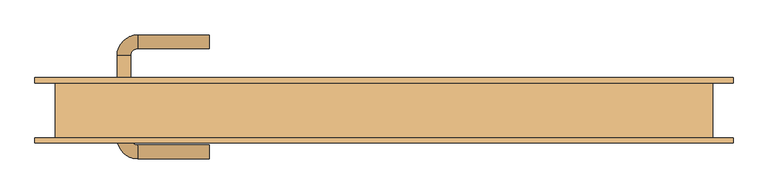
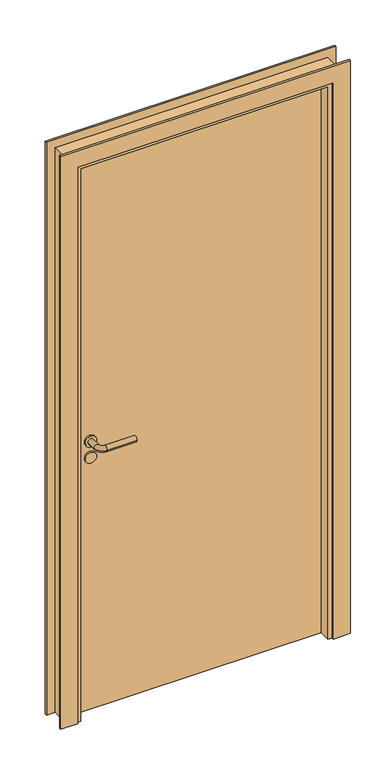
"""IFC4 building model written with IfcOpenShell, lengths in millimetres: door geometry."""

import ifcopenshell
import ifcopenshell.guid

model = None  # the IFC model being written
_history = None  # IfcOwnerHistory: only IFC2X3 demands one
_inside = {}  # id of a spatial element -> (the spatial element, [elements in it])
_under = {}  # id of a project, library or spatial element -> (it, [spatial elements below it])
_declared = {}  # id of a project -> (the project, [libraries it declares])
_typed = {}  # id of a type object -> (the type object, [elements of that type])
_made_of = {}  # id of a material, layer set ... -> (it, [elements and type objects made of it])


def new_model(schema):
    """Start an empty IFC model of exactly this schema.

    Asked for "IFC4X3", IfcOpenShell would pick the latest addendum, in which some entities
    have other attributes; the version numbers below select the first issue.
    IFC2X3 requires an IfcOwnerHistory on every rooted entity: one is made here for all.
    """
    global model, _history
    if schema == "IFC4X3":
        model = ifcopenshell.file(schema_version=(4, 3, 0, 0))
    else:
        model = ifcopenshell.file(schema=schema)
    _inside.clear()
    _under.clear()
    _declared.clear()
    _typed.clear()
    _made_of.clear()
    _history = None
    if model.schema == "IFC2X3":
        org = make("IfcOrganization", Name="unknown")
        user = make(
            "IfcPersonAndOrganization",
            ThePerson=make("IfcPerson", FamilyName="unknown"),
            TheOrganization=org,
        )
        app = make(
            "IfcApplication",
            ApplicationDeveloper=org,
            Version="unknown",
            ApplicationFullName="unknown",
            ApplicationIdentifier="unknown",
        )
        _history = make(
            "IfcOwnerHistory",
            OwningUser=user,
            OwningApplication=app,
            ChangeAction="ADDED",
            CreationDate=0,
        )
    return model


def make(cls, **values):
    """One entity of the class cls with the attributes given. An attribute that is None is left unset."""
    return model.create_entity(
        cls, **{name: value for name, value in values.items() if value is not None}
    )


def rooted(cls, **values):
    """An entity with a GlobalId (a new one), such as an element, a storey or a relation."""
    return make(cls, GlobalId=ifcopenshell.guid.new(), OwnerHistory=_history, **values)


def si_unit(unit_type, name, prefix=None):
    """IfcSIUnit, for example si_unit("LENGTHUNIT", "METRE", prefix="MILLI")."""
    return make("IfcSIUnit", UnitType=unit_type, Prefix=prefix, Name=name)


def assignment(units):
    """IfcUnitAssignment: the units of a project."""
    return None if units is None else make("IfcUnitAssignment", Units=units)


def point(xyz):
    """IfcCartesianPoint."""
    return None if xyz is None else make("IfcCartesianPoint", Coordinates=xyz)


def direction(xyz):
    """IfcDirection."""
    return None if xyz is None else make("IfcDirection", DirectionRatios=xyz)


def frame(location, z_axis=None, x_axis=None):
    """IfcAxis2Placement3D, a coordinate frame: its origin and axes. An axis left out is left unset."""
    return make(
        "IfcAxis2Placement3D",
        Location=point(location),
        Axis=direction(z_axis),
        RefDirection=direction(x_axis),
    )


def frame_2d(location, x_axis=None):
    """IfcAxis2Placement2D, a coordinate frame in the plane: its origin and x axis."""
    return make(
        "IfcAxis2Placement2D", Location=point(location), RefDirection=direction(x_axis)
    )


def origin():
    """The frame at (0, 0, 0) with its axes left unset."""
    return frame((0.0, 0.0, 0.0))


def origin_with_axes():
    """The frame at (0, 0, 0) with the z axis (0, 0, 1) and the x axis (1, 0, 0) written out."""
    return frame((0.0, 0.0, 0.0), z_axis=(0.0, 0.0, 1.0), x_axis=(1.0, 0.0, 0.0))


def place(relative_to, where):
    """IfcLocalPlacement: puts the frame where relative to a parent placement (None: the world)."""
    return make(
        "IfcLocalPlacement", PlacementRelTo=relative_to, RelativePlacement=where
    )


def context(
    kind, dimensions, precision=None, world=None, true_north=None, identifier=None
):
    """IfcGeometricRepresentationContext, for example the 3D "Model" context."""
    return make(
        "IfcGeometricRepresentationContext",
        ContextIdentifier=identifier,
        ContextType=kind,
        CoordinateSpaceDimension=dimensions,
        Precision=precision,
        WorldCoordinateSystem=world,
        TrueNorth=true_north,
    )


def project(units=None, contexts=None):
    """IfcProject with its units and contexts."""
    return rooted(
        "IfcProject",
        Name="project",
        RepresentationContexts=contexts,
        UnitsInContext=assignment(units),
    )


def spatial(cls, under=None, at=None, **own):
    """A site, building, storey or space (cls), placed at a placement, below another one or the project."""
    s = rooted(cls, ObjectPlacement=at, **own)
    if under is not None:
        _under.setdefault(under.id(), (under, []))[1].append(s)
    return s


def polyline(points):
    """IfcPolyline through the points."""
    return make("IfcPolyline", Points=[point(p) for p in points])


def circle_curve(where, radius):
    """IfcCircle in the frame where."""
    return make("IfcCircle", Position=where, Radius=radius)


def ellipse_curve(where, semi_axis1, semi_axis2):
    """IfcEllipse in the frame where."""
    return make(
        "IfcEllipse", Position=where, SemiAxis1=semi_axis1, SemiAxis2=semi_axis2
    )


def trimmed(basis, trim1, trim2, sense, master):
    """IfcTrimmedCurve: the piece of a basis curve between two trims."""
    return make(
        "IfcTrimmedCurve",
        BasisCurve=basis,
        Trim1=trim1,
        Trim2=trim2,
        SenseAgreement=sense,
        MasterRepresentation=master,
    )


def segment(curve, same_sense, transition):
    """IfcCompositeCurveSegment."""
    return make(
        "IfcCompositeCurveSegment",
        Transition=transition,
        SameSense=same_sense,
        ParentCurve=curve,
    )


def composite_curve(segments, self_intersect=None):
    """IfcCompositeCurve: segments joined end to end."""
    return make("IfcCompositeCurve", Segments=segments, SelfIntersect=self_intersect)


def outline(outer, holes=None, kind="AREA"):
    """IfcArbitraryClosedProfileDef: a profile drawn as a closed curve; with holes, ...WithVoids."""
    if holes is None:
        return make("IfcArbitraryClosedProfileDef", ProfileType=kind, OuterCurve=outer)
    return make(
        "IfcArbitraryProfileDefWithVoids",
        ProfileType=kind,
        OuterCurve=outer,
        InnerCurves=holes,
    )


def extrude(swept, where, along, depth):
    """IfcExtrudedAreaSolid: the profile swept, set in the frame where, extruded along a direction by depth."""
    return make(
        "IfcExtrudedAreaSolid",
        SweptArea=swept,
        Position=where,
        ExtrudedDirection=direction(along),
        Depth=depth,
    )


def faces_of(points, faces, orient=None, outer=None):
    """IfcFace entities. A face is a list of loops; a loop is a list of indices into points, from 0.

    orient and outer hold one flag for each loop. By default every Orientation is true, the
    first loop of a face is its IfcFaceOuterBound and the others are IfcFaceBound.
    """
    made = []
    for i, loops in enumerate(faces):
        bounds = []
        for j, loop in enumerate(loops):
            is_outer = j == 0 if outer is None else outer[i][j]
            bounds.append(
                make(
                    "IfcFaceOuterBound" if is_outer else "IfcFaceBound",
                    Bound=make("IfcPolyLoop", Polygon=[points[k] for k in loop]),
                    Orientation=True if orient is None else orient[i][j],
                )
            )
        made.append(make("IfcFace", Bounds=bounds))
    return made


def faceted_brep(points, faces, orient=None, outer=None, voids=None):
    """IfcFacetedBrep: a solid bounded by flat faces; with voids (closed shells), ...WithVoids."""
    shared = [point(p) for p in points]
    hull = make("IfcClosedShell", CfsFaces=faces_of(shared, faces, orient, outer))
    if voids is None:
        return make("IfcFacetedBrep", Outer=hull)
    return make(
        "IfcFacetedBrepWithVoids",
        Outer=hull,
        Voids=[
            make(cls, CfsFaces=faces_of(shared, fs, o, b)) for cls, fs, o, b in voids
        ],
    )


def shape(context_of_items, identifier, shape_type, items):
    """IfcShapeRepresentation: the items that make up one representation, for example the "Body"."""
    return make(
        "IfcShapeRepresentation",
        ContextOfItems=context_of_items,
        RepresentationIdentifier=identifier,
        RepresentationType=shape_type,
        Items=items,
    )


def source(mapping_origin, context_of_items, identifier, shape_type, items):
    """IfcRepresentationMap: a shape defined once, which mapped items show again and again."""
    return make(
        "IfcRepresentationMap",
        MappingOrigin=mapping_origin,
        MappedRepresentation=shape(context_of_items, identifier, shape_type, items),
    )


def transform(
    local_origin,
    x_axis=None,
    y_axis=None,
    z_axis=None,
    scale=None,
    scale2=None,
    scale3=None,
    uniform=True,
):
    """IfcCartesianTransformationOperator3D, or its non-uniform kind. x_axis, y_axis, z_axis: its Axis1, 2, 3."""
    if uniform:
        return make(
            "IfcCartesianTransformationOperator3D",
            Axis1=direction(x_axis),
            Axis2=direction(y_axis),
            LocalOrigin=point(local_origin),
            Scale=scale,
            Axis3=direction(z_axis),
        )
    return make(
        "IfcCartesianTransformationOperator3DnonUniform",
        Axis1=direction(x_axis),
        Axis2=direction(y_axis),
        LocalOrigin=point(local_origin),
        Scale=scale,
        Axis3=direction(z_axis),
        Scale2=scale2,
        Scale3=scale3,
    )


def mapped(mapping_source, mapping_target):
    """IfcMappedItem: shows the shape of a source again, moved by a transform."""
    return make(
        "IfcMappedItem", MappingSource=mapping_source, MappingTarget=mapping_target
    )


def made_of(thing, what):
    """Note that an element or type object is made of a material, layer set ...; save() writes the relation."""
    if what is not None:
        _made_of.setdefault(what.id(), (what, []))[1].append(thing)
    return thing


def element(
    cls,
    number,
    at=None,
    inside=None,
    cuts=None,
    type_object=None,
    material=None,
    context=None,
    identifier="Body",
    shape_type=None,
    held_by="IfcProductDefinitionShape",
    body=None,
    shapes=None,
    **own,
):
    """One element of the class cls, such as IfcWall. Its Tag is "e" and its number.

    at: its placement. inside: the storey or other place that contains it. cuts: it is an
    opening in that element (IfcRelVoidsElement). A single representation is given by context,
    identifier, shape_type and body (its items); several are given by shapes. held_by: the class
    of the entity that holds the representations. save() writes the other relations.
    """
    e = rooted(cls, Tag="e%d" % number, ObjectPlacement=at, **own)
    if body is not None:
        shapes = [shape(context, identifier, shape_type, body)]
    if shapes is not None:
        e.Representation = make(held_by, Representations=shapes)
    if inside is not None:
        _inside.setdefault(inside.id(), (inside, []))[1].append(e)
    if cuts is not None:
        rooted(
            "IfcRelVoidsElement", RelatingBuildingElement=cuts, RelatedOpeningElement=e
        )
    if type_object is not None:
        _typed.setdefault(type_object.id(), (type_object, []))[1].append(e)
    return made_of(e, material)


def aggregate(whole, parts):
    """IfcRelAggregates: a whole, such as a stair, and the parts it consists of."""
    return rooted("IfcRelAggregates", RelatingObject=whole, RelatedObjects=parts)


def save(model, path):
    """Write the relations noted so far, then the file.

    IfcRelAggregates (storeys below a building ...), IfcRelContainedInSpatialStructure (elements
    in a storey), IfcRelDefinesByType, IfcRelAssociatesMaterial and IfcRelDeclares: one each for
    every whole, place, type object, material and project.
    """
    for whole, parts in _under.values():
        aggregate(whole, parts)
    for where, things in _inside.values():
        rooted(
            "IfcRelContainedInSpatialStructure",
            RelatedElements=things,
            RelatingStructure=where,
        )
    for kind, things in _typed.values():
        rooted("IfcRelDefinesByType", RelatedObjects=things, RelatingType=kind)
    for what, things in _made_of.values():
        rooted("IfcRelAssociatesMaterial", RelatedObjects=things, RelatingMaterial=what)
    for by, libraries in _declared.values():
        rooted("IfcRelDeclares", RelatingContext=by, RelatedDefinitions=libraries)
    model.write(path)


def plane_surface(at):
    """IfcPlane: the flat surface through the origin of the frame at, square to its z axis."""
    return make("IfcPlane", Position=at)


def cylinder_surface(at, radius):
    """IfcCylindricalSurface: all points at the distance radius from the z axis of the frame at."""
    return make("IfcCylindricalSurface", Position=at, Radius=radius)


def revolved_surface(curve, axis_point, axis_direction):
    """IfcSurfaceOfRevolution: the curve turned about the line through axis_point along axis_direction."""
    return make(
        "IfcSurfaceOfRevolution",
        SweptCurve=make("IfcArbitraryOpenProfileDef", ProfileType="CURVE", Curve=curve),
        AxisPosition=make("IfcAxis1Placement", Location=point(axis_point), Axis=direction(axis_direction)),
    )


def advanced_brep(points, edges, surfaces, faces):
    """IfcAdvancedBrep: a solid bounded by faces that lie on surfaces and meet in shared edges.

    An edge is (start, end): straight between two places in points (the first is 0);
    or (start, end, curve); or (start, end, curve, False) where it runs against its curve.
    A face is (place in surfaces, loops), or (place, loops, False) where it looks against
    its surface's normal. A loop lists edges by number (the first is 1), with a minus sign
    where the edge is run from its end to its start. The first loop is the outer one.
    """
    corners = [point(p) for p in points]
    vertices = [make("IfcVertexPoint", VertexGeometry=c) for c in corners]
    made = []
    for start, end, *more in edges:
        made.append(
            make(
                "IfcEdgeCurve",
                EdgeStart=vertices[start],
                EdgeEnd=vertices[end],
                EdgeGeometry=more[0] if more else make("IfcPolyline", Points=[corners[start], corners[end]]),
                SameSense=more[1] if len(more) > 1 else True,
            )
        )
    hull = []
    for where, loops, *sense in faces:
        bounds = []
        for j, loop in enumerate(loops):
            ring = [make("IfcOrientedEdge", EdgeElement=made[abs(k) - 1], Orientation=k > 0) for k in loop]
            bounds.append(
                make(
                    "IfcFaceOuterBound" if j == 0 else "IfcFaceBound",
                    Bound=make("IfcEdgeLoop", EdgeList=ring),
                    Orientation=True,
                )
            )
        hull.append(make("IfcAdvancedFace", Bounds=bounds, FaceSurface=surfaces[where], SameSense=sense[0] if sense else True))
    return make("IfcAdvancedBrep", Outer=make("IfcClosedShell", CfsFaces=hull))


def door_cb7aca0b(model_context):
    return source(origin(), model_context, "Body", "SolidModel", [
        advanced_brep(
        [(-400.0, 46.5831809, 1000.0), (-360.0, 46.5831809, 1000.0), (-390.0, 46.5831809, 1000.0), (-370.0, 46.5831809, 1000.0), (-400.0, 40.0, 1000.0), (-360.0, 40.0, 1000.0), (-255.0, 110.6350833, 1000.0), (-255.0, 90.6350833, 1000.0), (-390.0, 80.6350833, 1000.0), (-370.0, 80.6350833, 1000.0), (-360.0, 90.6350833, 1000.0), (-360.0, 110.6350833, 1000.0)],
        [
            (0, 1, circle_curve(frame((-380.0, 46.5831809, 1000.0), z_axis=(0.0, 1.0, 0.0), x_axis=(1.0, 0.0, 0.0)), 20.0)),
            (1, 0, circle_curve(frame((-380.0, 46.5831809, 1000.0), z_axis=(0.0, 1.0, 0.0), x_axis=(1.0, 0.0, 0.0)), 20.0)),
            (2, 3, circle_curve(frame((-380.0, 46.5831809, 1000.0), z_axis=(0.0, -1.0, 0.0), x_axis=(1.0, 0.0, 0.0)), 10.0)),
            (3, 2, circle_curve(frame((-380.0, 46.5831809, 1000.0), z_axis=(0.0, -1.0, 0.0), x_axis=(1.0, 0.0, 0.0)), 10.0)),
            (4, 5, circle_curve(frame((-380.0, 40.0, 1000.0), z_axis=(0.0, -1.0, 0.0), x_axis=(1.0, 0.0, 0.0)), 20.0)),
            (5, 4, circle_curve(frame((-380.0, 40.0, 1000.0), z_axis=(0.0, -1.0, 0.0), x_axis=(1.0, 0.0, 0.0)), 20.0)),
            (1, 5),
            (4, 0),
            (6, 7, circle_curve(frame((-255.0, 100.6350833, 1000.0), z_axis=(1.0, 0.0, 0.0), x_axis=(0.0, -1.0, 0.0)), 10.0)),
            (7, 6, circle_curve(frame((-255.0, 100.6350833, 1000.0), z_axis=(1.0, 0.0, 0.0), x_axis=(0.0, -1.0, 0.0)), 10.0)),
            (8, 2),
            (3, 9),
            (9, 8, circle_curve(frame((-380.0, 80.6350833, 1000.0), z_axis=(0.0, -1.0, 0.0), x_axis=(1.0, 0.0, 0.0)), 10.0)),
            (8, 9, circle_curve(frame((-380.0, 80.6350833, 1000.0), z_axis=(0.0, -1.0, 0.0), x_axis=(1.0, 0.0, 0.0)), 10.0)),
            (9, 10, circle_curve(frame((-360.0, 80.6350833, 1000.0), z_axis=(0.0, 0.0, -1.0), x_axis=(-1.0, 0.0, 0.0)), 10.0)),
            (10, 11, circle_curve(frame((-360.0, 100.6350833, 1000.0), z_axis=(-1.0, 0.0, 0.0), x_axis=(0.0, -1.0, 0.0)), 10.0)),
            (11, 8, circle_curve(frame((-360.0, 80.6350833, 1000.0), z_axis=(0.0, 0.0, 1.0), x_axis=(-1.0, 0.0, 0.0)), 30.0)),
            (11, 10, circle_curve(frame((-360.0, 100.6350833, 1000.0), z_axis=(-1.0, 0.0, 0.0), x_axis=(0.0, -1.0, 0.0)), 10.0)),
            (6, 11),
            (10, 7),
        ],
        [
            plane_surface(frame((-360.0, 46.5831809, 1000.0), z_axis=(0.0, 1.0, 0.0), x_axis=(0.0, 0.0, 1.0))),
            plane_surface(frame((-360.0, 40.0, 1000.0), z_axis=(0.0, -1.0, 0.0), x_axis=(0.0, 0.0, -1.0))),
            cylinder_surface(frame((-380.0, 40.0, 1000.0), z_axis=(0.0, 1.0, 0.0), x_axis=(1.0, 0.0, 0.0)), 20.0),
            plane_surface(frame((-255.0, 100.6350833, 1000.0), z_axis=(1.0, 0.0, 0.0), x_axis=(0.0, 0.0, -1.0))),
            cylinder_surface(frame((-380.0, 40.0, 1000.0), z_axis=(0.0, -1.0, 0.0), x_axis=(1.0, 0.0, 0.0)), 10.0),
            revolved_surface(trimmed(ellipse_curve(frame((-380.0, 80.6350833, 1000.0), z_axis=(0.0, 1.0, 0.0), x_axis=(1.0, 0.0, 0.0)), 10.0, 10.0), [point((-390.0, 80.6350833, 1000.0))], [point((-370.0, 80.6350833, 1000.0))], True, "CARTESIAN"), (-360.0, 80.6350833, 1000.0), (0.0, 0.0, 1.0)),
            revolved_surface(trimmed(ellipse_curve(frame((-380.0, 80.6350833, 1000.0), z_axis=(0.0, 1.0, 0.0), x_axis=(1.0, 0.0, 0.0)), 10.0, 10.0), [point((-370.0, 80.6350833, 1000.0))], [point((-390.0, 80.6350833, 1000.0))], True, "CARTESIAN"), (-360.0, 80.6350833, 1000.0), (0.0, 0.0, 1.0)),
            cylinder_surface(frame((-360.0, 100.6350833, 1000.0), z_axis=(-1.0, 0.0, 0.0), x_axis=(0.0, -1.0, 0.0)), 10.0),
        ],
        [
            (0, [[1, 2], [3, 4]]),
            (1, [[5, 6]]),
            (2, [[7, -5, 8, -2]]),
            (2, [[-8, -6, -7, -1]]),
            (3, [[9, 10]]),
            (4, [[11, -4, 12, 13]]),
            (4, [[-12, -3, -11, 14]]),
            (5, [[15, 16, 17, -13]]),
            (6, [[-17, 18, -15, -14]]),
            (7, [[19, -16, 20, -9]]),
            (7, [[-20, -18, -19, -10]]),
        ],
    ),
        extrude(outline(composite_curve([segment(trimmed(circle_curve(frame_2d((940.0, -380.0)), 20.0), [point((940.0, -400.0))], [point((940.0, -360.0))], False, "CARTESIAN"), True, "CONTINUOUS"), segment(trimmed(circle_curve(frame_2d((940.0, -380.0)), 20.0), [point((940.0, -360.0))], [point((940.0, -400.0))], False, "CARTESIAN"), True, "CONTINUOUS")], self_intersect=False)), frame((0.0, 40.0, 0.0), z_axis=(0.0, 1.0, 0.0), x_axis=(0.0, 0.0, 1.0)), (0.0, 0.0, 1.0), 6.5831809),
        advanced_brep(
        [(-400.0, -6.5831809, 1000.0), (-360.0, -6.5831809, 1000.0), (-390.0, -6.5831809, 1000.0), (-370.0, -6.5831809, 1000.0), (-400.0, 0.0, 1000.0), (-360.0, 0.0, 1000.0), (-255.0, -70.6350833, 1000.0), (-255.0, -50.6350833, 1000.0), (-390.0, -40.6350833, 1000.0), (-370.0, -40.6350833, 1000.0), (-360.0, -70.6350833, 1000.0), (-360.0, -50.6350833, 1000.0)],
        [
            (0, 1, circle_curve(frame((-380.0, -6.5831809, 1000.0), z_axis=(0.0, -1.0, 0.0), x_axis=(1.0, 0.0, 0.0)), 20.0)),
            (1, 0, circle_curve(frame((-380.0, -6.5831809, 1000.0), z_axis=(0.0, -1.0, 0.0), x_axis=(1.0, 0.0, 0.0)), 20.0)),
            (2, 3, circle_curve(frame((-380.0, -6.5831809, 1000.0), z_axis=(0.0, 1.0, 0.0), x_axis=(1.0, 0.0, 0.0)), 10.0)),
            (3, 2, circle_curve(frame((-380.0, -6.5831809, 1000.0), z_axis=(0.0, 1.0, 0.0), x_axis=(1.0, 0.0, 0.0)), 10.0)),
            (4, 5, circle_curve(frame((-380.0, 0.0, 1000.0), z_axis=(0.0, 1.0, 0.0), x_axis=(1.0, 0.0, 0.0)), 20.0)),
            (5, 4, circle_curve(frame((-380.0, 0.0, 1000.0), z_axis=(0.0, 1.0, 0.0), x_axis=(1.0, 0.0, 0.0)), 20.0)),
            (0, 4),
            (5, 1),
            (6, 7, circle_curve(frame((-255.0, -60.6350833, 1000.0), z_axis=(1.0, 0.0, 0.0), x_axis=(0.0, 1.0, 0.0)), 10.0)),
            (7, 6, circle_curve(frame((-255.0, -60.6350833, 1000.0), z_axis=(1.0, 0.0, 0.0), x_axis=(0.0, 1.0, 0.0)), 10.0)),
            (8, 9, circle_curve(frame((-380.0, -40.6350833, 1000.0), z_axis=(0.0, 1.0, 0.0), x_axis=(1.0, 0.0, 0.0)), 10.0)),
            (9, 3),
            (2, 8),
            (9, 8, circle_curve(frame((-380.0, -40.6350833, 1000.0), z_axis=(0.0, 1.0, 0.0), x_axis=(1.0, 0.0, 0.0)), 10.0)),
            (8, 10, circle_curve(frame((-360.0, -40.6350833, 1000.0), z_axis=(0.0, 0.0, 1.0), x_axis=(-1.0, 0.0, 0.0)), 30.0)),
            (10, 11, circle_curve(frame((-360.0, -60.6350833, 1000.0), z_axis=(-1.0, 0.0, 0.0), x_axis=(0.0, 1.0, 0.0)), 10.0)),
            (11, 9, circle_curve(frame((-360.0, -40.6350833, 1000.0), z_axis=(0.0, 0.0, -1.0), x_axis=(-1.0, 0.0, 0.0)), 10.0)),
            (11, 10, circle_curve(frame((-360.0, -60.6350833, 1000.0), z_axis=(-1.0, 0.0, 0.0), x_axis=(0.0, 1.0, 0.0)), 10.0)),
            (7, 11),
            (10, 6),
        ],
        [
            plane_surface(frame((-360.0, -6.5831809, 1000.0), z_axis=(0.0, -1.0, 0.0), x_axis=(0.0, 0.0, 1.0))),
            plane_surface(frame((-360.0, 0.0, 1000.0), z_axis=(0.0, 1.0, 0.0), x_axis=(0.0, 0.0, -1.0))),
            cylinder_surface(frame((-380.0, 0.0, 1000.0), z_axis=(0.0, -1.0, 0.0), x_axis=(1.0, 0.0, 0.0)), 20.0),
            plane_surface(frame((-255.0, -60.6350833, 1000.0), z_axis=(1.0, 0.0, 0.0), x_axis=(0.0, 0.0, -1.0))),
            cylinder_surface(frame((-380.0, 0.0, 1000.0), z_axis=(0.0, 1.0, 0.0), x_axis=(1.0, 0.0, 0.0)), 10.0),
            revolved_surface(trimmed(ellipse_curve(frame((-380.0, -40.6350833, 1000.0), z_axis=(0.0, 1.0, 0.0), x_axis=(1.0, 0.0, 0.0)), 10.0, 10.0), [point((-390.0, -40.6350833, 1000.0))], [point((-370.0, -40.6350833, 1000.0))], True, "CARTESIAN"), (-360.0, -40.6350833, 1000.0), (0.0, 0.0, 1.0)),
            revolved_surface(trimmed(ellipse_curve(frame((-380.0, -40.6350833, 1000.0), z_axis=(0.0, 1.0, 0.0), x_axis=(1.0, 0.0, 0.0)), 10.0, 10.0), [point((-370.0, -40.6350833, 1000.0))], [point((-390.0, -40.6350833, 1000.0))], True, "CARTESIAN"), (-360.0, -40.6350833, 1000.0), (0.0, 0.0, 1.0)),
            cylinder_surface(frame((-360.0, -60.6350833, 1000.0), z_axis=(-1.0, 0.0, 0.0), x_axis=(0.0, 1.0, 0.0)), 10.0),
        ],
        [
            (0, [[1, 2], [3, 4]]),
            (1, [[5, 6]]),
            (2, [[-1, 7, -6, 8]]),
            (2, [[-2, -8, -5, -7]]),
            (3, [[9, 10]]),
            (4, [[11, 12, -3, 13]]),
            (4, [[14, -13, -4, -12]]),
            (5, [[-11, 15, 16, 17]]),
            (6, [[-14, -17, 18, -15]]),
            (7, [[-10, 19, -16, 20]]),
            (7, [[-9, -20, -18, -19]]),
        ],
    ),
        extrude(outline(composite_curve([segment(trimmed(circle_curve(frame_2d((940.0, -380.0)), 20.0), [point((940.0, -400.0))], [point((940.0, -360.0))], False, "CARTESIAN"), True, "CONTINUOUS"), segment(trimmed(circle_curve(frame_2d((940.0, -380.0)), 20.0), [point((940.0, -360.0))], [point((940.0, -400.0))], False, "CARTESIAN"), True, "CONTINUOUS")], self_intersect=False)), frame((0.0, -6.5831809, 0.0), z_axis=(0.0, 1.0, 0.0), x_axis=(0.0, 0.0, 1.0)), (0.0, 0.0, 1.0), 6.5831809),
        extrude(outline(polyline([(-450.0, 20.0), (450.0, 20.0), (450.0, 0.0), (-450.0, 0.0), (-450.0, 20.0)])), origin_with_axes(), (0.0, 0.0, 1.0), 2070.0),
        extrude(outline(polyline([(450.0, 20.0), (-450.0, 20.0), (-450.0, 40.0), (450.0, 40.0), (450.0, 20.0)])), origin_with_axes(), (0.0, 0.0, 1.0), 2070.0),
        extrude(outline(polyline([(0.0, -450.0), (2070.0, -450.0), (2070.0, 450.0), (0.0, 450.0), (0.0, 510.0), (2130.0, 510.0), (2130.0, -510.0), (0.0, -510.0), (0.0, -450.0)])), frame((0.0, 40.0, 0.0), z_axis=(0.0, 1.0, 0.0), x_axis=(0.0, 0.0, 1.0)), (0.0, 0.0, 1.0), 8.0),
        extrude(outline(polyline([(0.0, -510.0), (0.0, -450.0), (2070.0, -450.0), (2070.0, 450.0), (0.0, 450.0), (0.0, 510.0), (2130.0, 510.0), (2130.0, -510.0), (0.0, -510.0)])), frame((0.0, -48.0, 0.0), z_axis=(0.0, 1.0, 0.0), x_axis=(0.0, 0.0, 1.0)), (0.0, 0.0, 1.0), 8.0),
        faceted_brep([(-450.0, 0.0, 0.0), (-435.0, 0.0, 0.0), (-435.0, -40.0, 0.0), (-480.0, -40.0, 0.0), (-480.0, 40.0, 0.0), (-450.0, 40.0, 0.0), (-450.0, 0.0, 2070.0), (450.0, 0.0, 2070.0), (450.0, 0.0, 0.0), (435.0, 0.0, 0.0), (435.0, 0.0, 2055.0), (-435.0, 0.0, 2055.0), (-435.0, -40.0, 2055.0), (435.0, -40.0, 2055.0), (435.0, -40.0, 0.0), (480.0, -40.0, 0.0), (480.0, -40.0, 2100.0), (-480.0, -40.0, 2100.0), (-480.0, 40.0, 2100.0), (480.0, 40.0, 2100.0), (480.0, 40.0, 0.0), (450.0, 40.0, 0.0), (450.0, 40.0, 2070.0), (-450.0, 40.0, 2070.0)], [[[0, 1, 2, 3, 4, 5]], [[1, 0, 6, 7, 8, 9, 10, 11]], [[2, 1, 11, 12]], [[3, 2, 12, 13, 14, 15, 16, 17]], [[4, 3, 17, 18]], [[5, 4, 18, 19, 20, 21, 22, 23]], [[0, 5, 23, 6]], [[12, 11, 10, 13]], [[18, 17, 16, 19]], [[6, 23, 22, 7]], [[8, 21, 20, 15, 14, 9]], [[13, 10, 9, 14]], [[19, 16, 15, 20]], [[7, 22, 21, 8]]]),
    ])


if __name__ == "__main__":
    model = new_model("IFC4")
    model_context = context("Model", 3, world=origin())
    ifc_project = project(units=[si_unit("LENGTHUNIT", "METRE", prefix="MILLI")], contexts=[model_context])
    site = spatial("IfcSite", under=ifc_project)
    building = spatial("IfcBuilding", under=site)
    placement = place(None, origin())
    door_shape = door_cb7aca0b(model_context)
    element("IfcDoor", 1, at=placement, inside=building, context=model_context, shape_type="MappedRepresentation", body=[
        mapped(door_shape, transform((0.0, 0.0, 0.0), x_axis=(1.0, 0.0, 0.0), y_axis=(0.0, 1.0, 0.0), z_axis=(0.0, 0.0, 1.0))),
    ])
    save(model, "model.ifc")
